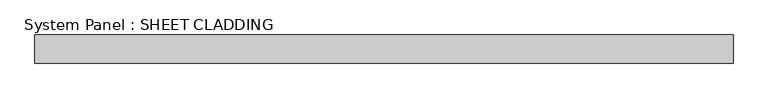
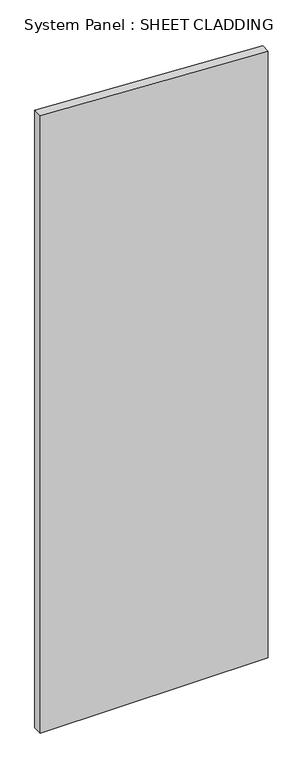
"""IFC4 building model written with IfcOpenShell, lengths in millimetres: plate geometry, System Panel : SHEET CLADDING."""

from ifc_helpers import new_model, si_unit, frame, origin, place, context, project, spatial, polyline, outline, extrude, source, transform, mapped, element, save


def system_panel_sheet_cladding_d98b5129(model_context):
    return source(origin(), model_context, "Body", "SweptSolid", [
        extrude(outline(polyline([(0.0, -735.4591837), (0.0, 735.4591837), (4134.5387755, 735.4591837), (4208.0846939, -735.4591837), (0.0, -735.4591837)])), frame((0.0, -10.5, 0.0), z_axis=(0.0, 1.0, 0.0), x_axis=(0.0, 0.0, 1.0)), (0.0, 0.0, 1.0), 60.0),
    ])


if __name__ == "__main__":
    model = new_model("IFC4")
    model_context = context("Model", 3, world=origin())
    ifc_project = project(units=[si_unit("LENGTHUNIT", "METRE", prefix="MILLI")], contexts=[model_context])
    site = spatial("IfcSite", under=ifc_project)
    building = spatial("IfcBuilding", under=site)
    placement = place(None, origin())
    system_panel_sheet_cladding_shape = system_panel_sheet_cladding_d98b5129(model_context)
    element("IfcPlate", 1, ObjectType="System Panel : SHEET CLADDING", at=placement, inside=building, context=model_context, shape_type="MappedRepresentation", body=[
        mapped(system_panel_sheet_cladding_shape, transform((0.0, 0.0, 0.0), x_axis=(1.0, 0.0, 0.0), y_axis=(0.0, 1.0, 0.0), z_axis=(0.0, 0.0, 1.0))),
    ])
    save(model, "model.ifc")
